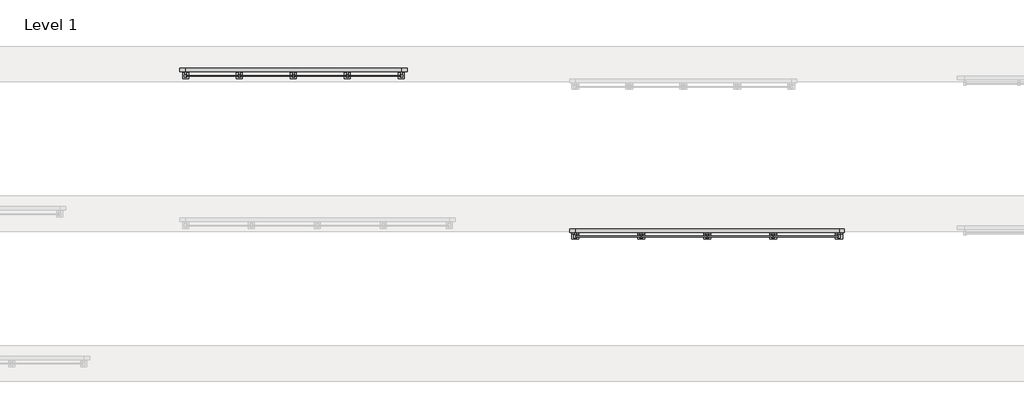
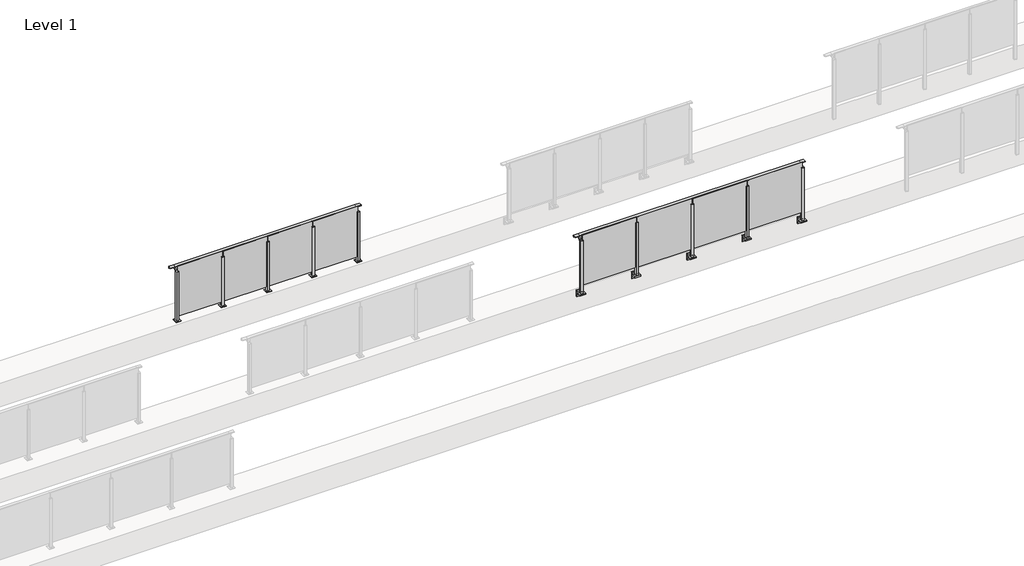
# One storey, part 63 of 64: 2 railings.
"""IFC4 building model written with IfcOpenShell, lengths in millimetres."""

from ifc_helpers import new_model, si_unit, point, frame, frame_2d, origin, origin_with_axes, place, context, project, spatial, polyline, circle_curve, trimmed, segment, composite_curve, outline, extrude, faceted_brep, element, save

model = new_model("IFC4")

# Units and contexts
model_context = context("Model", 3, world=origin())
ifc_project = project(units=[si_unit("LENGTHUNIT", "METRE", prefix="MILLI")], contexts=[model_context])

# Site, building, storey
site = spatial("IfcSite", under=ifc_project)
building = spatial("IfcBuilding", under=site)
storey = spatial("IfcBuildingStorey", under=building, Name="Level 1", Elevation=0.0)

# Railings
placement = place(None, origin())
element("IfcRailing", 1, at=placement, inside=storey, context=model_context, shape_type="SolidModel", body=[
    faceted_brep([(42910.0, 49943.1846828, 1100.0), (42910.0, 49943.1846828, 1085.0), (42910.0, 49928.1846828, 1085.0), (42910.0, 49928.1846828, 1073.0), (42910.0, 49923.1846828, 1073.0), (42910.0, 49923.1846828, 1085.0), (42910.0, 49883.1846828, 1085.0), (42910.0, 49883.1846828, 1100.0), (43000.0, 49943.1846828, 1100.0), (43000.0, 49943.1846828, 1085.0), (43000.0, 49923.1846828, 1085.0), (43000.0, 49883.1846828, 1085.0), (43000.0, 49883.1846828, 1100.0), (47400.0, 49943.1846828, 1100.0), (47400.0, 49943.1846828, 1085.0), (47400.0, 49923.1846828, 1085.0), (47400.0, 49883.1846828, 1085.0), (47400.0, 49883.1846828, 1100.0), (47490.0, 49943.1846828, 1100.0), (47490.0, 49883.1846828, 1100.0), (47490.0, 49883.1846828, 1085.0), (47490.0, 49923.1846828, 1085.0), (47490.0, 49923.1846828, 1073.0), (47490.0, 49928.1846828, 1073.0), (47490.0, 49928.1846828, 1085.0), (47490.0, 49943.1846828, 1085.0), (43000.0, 49928.1846828, 1085.0), (47400.0, 49928.1846828, 1085.0), (43000.0, 49928.1846828, 1073.0), (43000.0, 49923.1846828, 1073.0), (47400.0, 49928.1846828, 1073.0), (47400.0, 49923.1846828, 1073.0)], [[[0, 1, 2, 3, 4, 5, 6, 7]], [[1, 0, 8, 9]], [[6, 5, 10, 11]], [[7, 6, 11, 12]], [[0, 7, 12, 8]], [[9, 8, 13, 14]], [[11, 10, 15, 16]], [[12, 11, 16, 17]], [[8, 12, 17, 13]], [[18, 19, 20, 21, 22, 23, 24, 25]], [[14, 13, 18, 25]], [[16, 15, 21, 20]], [[17, 16, 20, 19]], [[13, 17, 19, 18]], [[2, 1, 9, 26]], [[26, 9, 14, 27]], [[27, 14, 25, 24]], [[3, 2, 26, 28]], [[4, 3, 28, 29]], [[5, 4, 29, 10]], [[28, 26, 27, 30]], [[29, 28, 30, 31]], [[10, 29, 31, 15]], [[30, 27, 24, 23]], [[31, 30, 23, 22]], [[15, 31, 22, 21]]]),
    extrude(outline(polyline([(46310.0, 49811.9094929), (46310.0, 49821.9094929), (47390.0, 49821.9094929), (47390.0, 49811.9094929), (46310.0, 49811.9094929)])), frame((0.0, 0.0, 95.0), z_axis=(0.0, 0.0, 1.0), x_axis=(1.0, 0.0, 0.0)), (0.0, 0.0, 1.0), 1055.0),
    extrude(outline(composite_curve([segment(polyline([(49938.1846828, 1085.0), (49938.1846828, 1060.900037)]), True, "CONTINUOUS"), segment(trimmed(circle_curve(frame_2d((49928.1846828, 1060.900037)), 10.0), [point((49938.1846828, 1060.900037))], [point((49930.7728733, 1051.2407787))], False, "CARTESIAN"), True, "CONTINUOUS"), segment(polyline([(49930.7728733, 1051.2407787), (49873.7244733, 1035.9547061)]), True, "CONTINUOUS"), segment(trimmed(circle_curve(frame_2d((49876.3126638, 1026.2954478)), 10.0), [point((49873.7244733, 1035.9547061))], [point((49866.3982152, 1027.6007097))], True, "CARTESIAN"), True, "CONTINUOUS"), segment(polyline([(49866.3982152, 1027.6007097), (49861.791393, 992.6084214)]), True, "CONTINUOUS"), segment(trimmed(circle_curve(frame_2d((49858.8170584, 993.0)), 3.0), [point((49861.791393, 992.6084214))], [point((49858.8170584, 990.0))], False, "CARTESIAN"), True, "CONTINUOUS"), segment(polyline([(49858.8170584, 990.0), (49850.1846828, 990.0), (49850.1846828, 1040.0), (49914.1846828, 1057.1487483), (49914.1846828, 1085.0), (49938.1846828, 1085.0)]), True, "CONTINUOUS")], self_intersect=False)), frame((46287.5, 0.0, 0.0), z_axis=(1.0, 0.0, 0.0), x_axis=(0.0, 1.0, 0.0)), (0.0, 0.0, 1.0), 25.0),
    extrude(outline(composite_curve([segment(polyline([(49850.1846828, -70.0), (49884.1846828, -63.0), (49884.1846828, -32.5), (49900.1846828, -32.5), (49900.1846828, -167.5), (49884.1846828, -167.5), (49884.1846828, -113.5)]), True, "CONTINUOUS"), segment(trimmed(circle_curve(frame_2d((49864.1846828, -113.5)), 20.0), [point((49884.1846828, -113.5))], [point((49864.1846828, -93.5))], True, "CARTESIAN"), True, "CONTINUOUS"), segment(polyline([(49864.1846828, -93.5), (49780.1846828, -93.5), (49780.1846828, -70.0), (49850.1846828, -70.0)]), True, "CONTINUOUS")], self_intersect=False)), frame((46240.0, 0.0, 0.0), z_axis=(1.0, 0.0, 0.0), x_axis=(0.0, 1.0, 0.0)), (0.0, 0.0, 1.0), 120.0),
    extrude(outline(polyline([(46322.5, 49840.1846828), (46322.5, 49795.1846828), (46277.5, 49795.1846828), (46277.5, 49840.1846828), (46322.5, 49840.1846828)])), frame((0.0, 0.0, -70.0), z_axis=(0.0, 0.0, 1.0), x_axis=(1.0, 0.0, 0.0)), (0.0, 0.0, 1.0), 1110.0),
    extrude(outline(polyline([(46322.5, 49840.1846828), (46322.5, 49795.1846828), (46277.5, 49795.1846828), (46277.5, 49840.1846828), (46322.5, 49840.1846828)])), frame((0.0, 0.0, 1040.0), z_axis=(0.0, 0.0, 1.0), x_axis=(1.0, 0.0, 0.0)), (0.0, 0.0, 1.0), 5.0),
    extrude(outline(polyline([(45210.0, 49811.9094929), (45210.0, 49821.9094929), (46290.0, 49821.9094929), (46290.0, 49811.9094929), (45210.0, 49811.9094929)])), frame((0.0, 0.0, 95.0), z_axis=(0.0, 0.0, 1.0), x_axis=(1.0, 0.0, 0.0)), (0.0, 0.0, 1.0), 1055.0),
    extrude(outline(composite_curve([segment(polyline([(49938.1846828, 1085.0), (49938.1846828, 1060.900037)]), True, "CONTINUOUS"), segment(trimmed(circle_curve(frame_2d((49928.1846828, 1060.900037)), 10.0), [point((49938.1846828, 1060.900037))], [point((49930.7728733, 1051.2407787))], False, "CARTESIAN"), True, "CONTINUOUS"), segment(polyline([(49930.7728733, 1051.2407787), (49873.7244733, 1035.9547061)]), True, "CONTINUOUS"), segment(trimmed(circle_curve(frame_2d((49876.3126638, 1026.2954478)), 10.0), [point((49873.7244733, 1035.9547061))], [point((49866.3982152, 1027.6007097))], True, "CARTESIAN"), True, "CONTINUOUS"), segment(polyline([(49866.3982152, 1027.6007097), (49861.791393, 992.6084214)]), True, "CONTINUOUS"), segment(trimmed(circle_curve(frame_2d((49858.8170584, 993.0)), 3.0), [point((49861.791393, 992.6084214))], [point((49858.8170584, 990.0))], False, "CARTESIAN"), True, "CONTINUOUS"), segment(polyline([(49858.8170584, 990.0), (49850.1846828, 990.0), (49850.1846828, 1040.0), (49914.1846828, 1057.1487483), (49914.1846828, 1085.0), (49938.1846828, 1085.0)]), True, "CONTINUOUS")], self_intersect=False)), frame((45187.5, 0.0, 0.0), z_axis=(1.0, 0.0, 0.0), x_axis=(0.0, 1.0, 0.0)), (0.0, 0.0, 1.0), 25.0),
    extrude(outline(composite_curve([segment(polyline([(49850.1846828, -70.0), (49884.1846828, -63.0), (49884.1846828, -32.5), (49900.1846828, -32.5), (49900.1846828, -167.5), (49884.1846828, -167.5), (49884.1846828, -113.5)]), True, "CONTINUOUS"), segment(trimmed(circle_curve(frame_2d((49864.1846828, -113.5)), 20.0), [point((49884.1846828, -113.5))], [point((49864.1846828, -93.5))], True, "CARTESIAN"), True, "CONTINUOUS"), segment(polyline([(49864.1846828, -93.5), (49780.1846828, -93.5), (49780.1846828, -70.0), (49850.1846828, -70.0)]), True, "CONTINUOUS")], self_intersect=False)), frame((45140.0, 0.0, 0.0), z_axis=(1.0, 0.0, 0.0), x_axis=(0.0, 1.0, 0.0)), (0.0, 0.0, 1.0), 120.0),
    extrude(outline(polyline([(45222.5, 49840.1846828), (45222.5, 49795.1846828), (45177.5, 49795.1846828), (45177.5, 49840.1846828), (45222.5, 49840.1846828)])), frame((0.0, 0.0, -70.0), z_axis=(0.0, 0.0, 1.0), x_axis=(1.0, 0.0, 0.0)), (0.0, 0.0, 1.0), 1110.0),
    extrude(outline(polyline([(45222.5, 49840.1846828), (45222.5, 49795.1846828), (45177.5, 49795.1846828), (45177.5, 49840.1846828), (45222.5, 49840.1846828)])), frame((0.0, 0.0, 1040.0), z_axis=(0.0, 0.0, 1.0), x_axis=(1.0, 0.0, 0.0)), (0.0, 0.0, 1.0), 5.0),
    extrude(outline(polyline([(44110.0, 49811.9094929), (44110.0, 49821.9094929), (45190.0, 49821.9094929), (45190.0, 49811.9094929), (44110.0, 49811.9094929)])), frame((0.0, 0.0, 95.0), z_axis=(0.0, 0.0, 1.0), x_axis=(1.0, 0.0, 0.0)), (0.0, 0.0, 1.0), 1055.0),
    extrude(outline(composite_curve([segment(polyline([(49938.1846828, 1085.0), (49938.1846828, 1060.900037)]), True, "CONTINUOUS"), segment(trimmed(circle_curve(frame_2d((49928.1846828, 1060.900037)), 10.0), [point((49938.1846828, 1060.900037))], [point((49930.7728733, 1051.2407787))], False, "CARTESIAN"), True, "CONTINUOUS"), segment(polyline([(49930.7728733, 1051.2407787), (49873.7244733, 1035.9547061)]), True, "CONTINUOUS"), segment(trimmed(circle_curve(frame_2d((49876.3126638, 1026.2954478)), 10.0), [point((49873.7244733, 1035.9547061))], [point((49866.3982152, 1027.6007097))], True, "CARTESIAN"), True, "CONTINUOUS"), segment(polyline([(49866.3982152, 1027.6007097), (49861.791393, 992.6084214)]), True, "CONTINUOUS"), segment(trimmed(circle_curve(frame_2d((49858.8170584, 993.0)), 3.0), [point((49861.791393, 992.6084214))], [point((49858.8170584, 990.0))], False, "CARTESIAN"), True, "CONTINUOUS"), segment(polyline([(49858.8170584, 990.0), (49850.1846828, 990.0), (49850.1846828, 1040.0), (49914.1846828, 1057.1487483), (49914.1846828, 1085.0), (49938.1846828, 1085.0)]), True, "CONTINUOUS")], self_intersect=False)), frame((44087.5, 0.0, 0.0), z_axis=(1.0, 0.0, 0.0), x_axis=(0.0, 1.0, 0.0)), (0.0, 0.0, 1.0), 25.0),
    extrude(outline(composite_curve([segment(polyline([(49850.1846828, -70.0), (49884.1846828, -63.0), (49884.1846828, -32.5), (49900.1846828, -32.5), (49900.1846828, -167.5), (49884.1846828, -167.5), (49884.1846828, -113.5)]), True, "CONTINUOUS"), segment(trimmed(circle_curve(frame_2d((49864.1846828, -113.5)), 20.0), [point((49884.1846828, -113.5))], [point((49864.1846828, -93.5))], True, "CARTESIAN"), True, "CONTINUOUS"), segment(polyline([(49864.1846828, -93.5), (49780.1846828, -93.5), (49780.1846828, -70.0), (49850.1846828, -70.0)]), True, "CONTINUOUS")], self_intersect=False)), frame((44040.0, 0.0, 0.0), z_axis=(1.0, 0.0, 0.0), x_axis=(0.0, 1.0, 0.0)), (0.0, 0.0, 1.0), 120.0),
    extrude(outline(polyline([(44122.5, 49840.1846828), (44122.5, 49795.1846828), (44077.5, 49795.1846828), (44077.5, 49840.1846828), (44122.5, 49840.1846828)])), frame((0.0, 0.0, -70.0), z_axis=(0.0, 0.0, 1.0), x_axis=(1.0, 0.0, 0.0)), (0.0, 0.0, 1.0), 1110.0),
    extrude(outline(polyline([(44122.5, 49840.1846828), (44122.5, 49795.1846828), (44077.5, 49795.1846828), (44077.5, 49840.1846828), (44122.5, 49840.1846828)])), frame((0.0, 0.0, 1040.0), z_axis=(0.0, 0.0, 1.0), x_axis=(1.0, 0.0, 0.0)), (0.0, 0.0, 1.0), 5.0),
    extrude(outline(polyline([(43010.0, 49811.9094929), (43010.0, 49821.9094929), (44090.0, 49821.9094929), (44090.0, 49811.9094929), (43010.0, 49811.9094929)])), frame((0.0, 0.0, 95.0), z_axis=(0.0, 0.0, 1.0), x_axis=(1.0, 0.0, 0.0)), (0.0, 0.0, 1.0), 1055.0),
    extrude(outline(composite_curve([segment(polyline([(49938.1846828, 1085.0), (49938.1846828, 1060.900037)]), True, "CONTINUOUS"), segment(trimmed(circle_curve(frame_2d((49928.1846828, 1060.900037)), 10.0), [point((49938.1846828, 1060.900037))], [point((49930.7728733, 1051.2407787))], False, "CARTESIAN"), True, "CONTINUOUS"), segment(polyline([(49930.7728733, 1051.2407787), (49873.7244733, 1035.9547061)]), True, "CONTINUOUS"), segment(trimmed(circle_curve(frame_2d((49876.3126638, 1026.2954478)), 10.0), [point((49873.7244733, 1035.9547061))], [point((49866.3982152, 1027.6007097))], True, "CARTESIAN"), True, "CONTINUOUS"), segment(polyline([(49866.3982152, 1027.6007097), (49861.791393, 992.6084214)]), True, "CONTINUOUS"), segment(trimmed(circle_curve(frame_2d((49858.8170584, 993.0)), 3.0), [point((49861.791393, 992.6084214))], [point((49858.8170584, 990.0))], False, "CARTESIAN"), True, "CONTINUOUS"), segment(polyline([(49858.8170584, 990.0), (49850.1846828, 990.0), (49850.1846828, 1040.0), (49914.1846828, 1057.1487483), (49914.1846828, 1085.0), (49938.1846828, 1085.0)]), True, "CONTINUOUS")], self_intersect=False)), frame((47387.5, 0.0, 0.0), z_axis=(1.0, 0.0, 0.0), x_axis=(0.0, 1.0, 0.0)), (0.0, 0.0, 1.0), 25.0),
    extrude(outline(composite_curve([segment(polyline([(49850.1846828, -70.0), (49884.1846828, -63.0), (49884.1846828, -32.5), (49900.1846828, -32.5), (49900.1846828, -167.5), (49884.1846828, -167.5), (49884.1846828, -113.5)]), True, "CONTINUOUS"), segment(trimmed(circle_curve(frame_2d((49864.1846828, -113.5)), 20.0), [point((49884.1846828, -113.5))], [point((49864.1846828, -93.5))], True, "CARTESIAN"), True, "CONTINUOUS"), segment(polyline([(49864.1846828, -93.5), (49780.1846828, -93.5), (49780.1846828, -70.0), (49850.1846828, -70.0)]), True, "CONTINUOUS")], self_intersect=False)), frame((47340.0, 0.0, 0.0), z_axis=(1.0, 0.0, 0.0), x_axis=(0.0, 1.0, 0.0)), (0.0, 0.0, 1.0), 120.0),
    extrude(outline(polyline([(47422.5, 49840.1846828), (47422.5, 49795.1846828), (47377.5, 49795.1846828), (47377.5, 49840.1846828), (47422.5, 49840.1846828)])), frame((0.0, 0.0, -70.0), z_axis=(0.0, 0.0, 1.0), x_axis=(1.0, 0.0, 0.0)), (0.0, 0.0, 1.0), 1110.0),
    extrude(outline(polyline([(47422.5, 49840.1846828), (47422.5, 49795.1846828), (47377.5, 49795.1846828), (47377.5, 49840.1846828), (47422.5, 49840.1846828)])), frame((0.0, 0.0, 1040.0), z_axis=(0.0, 0.0, 1.0), x_axis=(1.0, 0.0, 0.0)), (0.0, 0.0, 1.0), 5.0),
    extrude(outline(composite_curve([segment(polyline([(49938.1846828, 1085.0), (49938.1846828, 1060.900037)]), True, "CONTINUOUS"), segment(trimmed(circle_curve(frame_2d((49928.1846828, 1060.900037)), 10.0), [point((49938.1846828, 1060.900037))], [point((49930.7728733, 1051.2407787))], False, "CARTESIAN"), True, "CONTINUOUS"), segment(polyline([(49930.7728733, 1051.2407787), (49873.7244733, 1035.9547061)]), True, "CONTINUOUS"), segment(trimmed(circle_curve(frame_2d((49876.3126638, 1026.2954478)), 10.0), [point((49873.7244733, 1035.9547061))], [point((49866.3982152, 1027.6007097))], True, "CARTESIAN"), True, "CONTINUOUS"), segment(polyline([(49866.3982152, 1027.6007097), (49861.791393, 992.6084214)]), True, "CONTINUOUS"), segment(trimmed(circle_curve(frame_2d((49858.8170584, 993.0)), 3.0), [point((49861.791393, 992.6084214))], [point((49858.8170584, 990.0))], False, "CARTESIAN"), True, "CONTINUOUS"), segment(polyline([(49858.8170584, 990.0), (49850.1846828, 990.0), (49850.1846828, 1040.0), (49914.1846828, 1057.1487483), (49914.1846828, 1085.0), (49938.1846828, 1085.0)]), True, "CONTINUOUS")], self_intersect=False)), frame((42987.5, 0.0, 0.0), z_axis=(1.0, 0.0, 0.0), x_axis=(0.0, 1.0, 0.0)), (0.0, 0.0, 1.0), 25.0),
    extrude(outline(composite_curve([segment(polyline([(49850.1846828, -70.0), (49884.1846828, -63.0), (49884.1846828, -32.5), (49900.1846828, -32.5), (49900.1846828, -167.5), (49884.1846828, -167.5), (49884.1846828, -113.5)]), True, "CONTINUOUS"), segment(trimmed(circle_curve(frame_2d((49864.1846828, -113.5)), 20.0), [point((49884.1846828, -113.5))], [point((49864.1846828, -93.5))], True, "CARTESIAN"), True, "CONTINUOUS"), segment(polyline([(49864.1846828, -93.5), (49780.1846828, -93.5), (49780.1846828, -70.0), (49850.1846828, -70.0)]), True, "CONTINUOUS")], self_intersect=False)), frame((42940.0, 0.0, 0.0), z_axis=(1.0, 0.0, 0.0), x_axis=(0.0, 1.0, 0.0)), (0.0, 0.0, 1.0), 120.0),
    extrude(outline(polyline([(43022.5, 49840.1846828), (43022.5, 49795.1846828), (42977.5, 49795.1846828), (42977.5, 49840.1846828), (43022.5, 49840.1846828)])), frame((0.0, 0.0, -70.0), z_axis=(0.0, 0.0, 1.0), x_axis=(1.0, 0.0, 0.0)), (0.0, 0.0, 1.0), 1110.0),
    extrude(outline(polyline([(43022.5, 49840.1846828), (43022.5, 49795.1846828), (42977.5, 49795.1846828), (42977.5, 49840.1846828), (43022.5, 49840.1846828)])), frame((0.0, 0.0, 1040.0), z_axis=(0.0, 0.0, 1.0), x_axis=(1.0, 0.0, 0.0)), (0.0, 0.0, 1.0), 5.0),
])
element("IfcRailing", 2, at=placement, inside=storey, context=model_context, shape_type="SolidModel", body=[
    faceted_brep([(36500.0, 52625.6846828, 1085.0), (36500.0, 52625.6846828, 1100.0), (40100.0, 52625.6846828, 1100.0), (40100.0, 52625.6846828, 1085.0), (36500.0, 52565.6846828, 1085.0), (36500.0, 52605.6846828, 1085.0), (40100.0, 52605.6846828, 1085.0), (40100.0, 52565.6846828, 1085.0), (36500.0, 52565.6846828, 1100.0), (40100.0, 52565.6846828, 1100.0), (36400.0, 52625.6846828, 1100.0), (36400.0, 52625.6846828, 1085.0), (36400.0, 52610.6846828, 1085.0), (36400.0, 52610.6846828, 1073.0), (36400.0, 52605.6846828, 1073.0), (36400.0, 52605.6846828, 1085.0), (36400.0, 52565.6846828, 1085.0), (36400.0, 52565.6846828, 1100.0), (40200.0, 52625.6846828, 1100.0), (40200.0, 52565.6846828, 1100.0), (40200.0, 52565.6846828, 1085.0), (40200.0, 52605.6846828, 1085.0), (40200.0, 52605.6846828, 1073.0), (40200.0, 52610.6846828, 1073.0), (40200.0, 52610.6846828, 1085.0), (40200.0, 52625.6846828, 1085.0), (36500.0, 52610.6846828, 1085.0), (40100.0, 52610.6846828, 1085.0), (36500.0, 52610.6846828, 1073.0), (36500.0, 52605.6846828, 1073.0), (40100.0, 52610.6846828, 1073.0), (40100.0, 52605.6846828, 1073.0)], [[[0, 1, 2, 3]], [[4, 5, 6, 7]], [[8, 4, 7, 9]], [[1, 8, 9, 2]], [[10, 11, 12, 13, 14, 15, 16, 17]], [[11, 10, 1, 0]], [[16, 15, 5, 4]], [[17, 16, 4, 8]], [[10, 17, 8, 1]], [[18, 19, 20, 21, 22, 23, 24, 25]], [[3, 2, 18, 25]], [[7, 6, 21, 20]], [[9, 7, 20, 19]], [[2, 9, 19, 18]], [[12, 11, 0, 26]], [[26, 0, 3, 27]], [[27, 3, 25, 24]], [[13, 12, 26, 28]], [[14, 13, 28, 29]], [[15, 14, 29, 5]], [[28, 26, 27, 30]], [[29, 28, 30, 31]], [[5, 29, 31, 6]], [[30, 27, 24, 23]], [[31, 30, 23, 22]], [[6, 31, 22, 21]]]),
    extrude(outline(polyline([(39210.0, 52494.4094929), (39210.0, 52504.4094929), (40090.0, 52504.4094929), (40090.0, 52494.4094929), (39210.0, 52494.4094929)])), frame((0.0, 0.0, 95.0), z_axis=(0.0, 0.0, 1.0), x_axis=(1.0, 0.0, 0.0)), (0.0, 0.0, 1.0), 1055.0),
    extrude(outline(composite_curve([segment(polyline([(52610.6846828, 1085.0), (52610.6846828, 1060.900037)]), True, "CONTINUOUS"), segment(trimmed(circle_curve(frame_2d((52600.6846828, 1060.900037)), 10.0), [point((52610.6846828, 1060.900037))], [point((52603.2728733, 1051.2407787))], False, "CARTESIAN"), True, "CONTINUOUS"), segment(polyline([(52603.2728733, 1051.2407787), (52546.2244733, 1035.9547061)]), True, "CONTINUOUS"), segment(trimmed(circle_curve(frame_2d((52548.8126638, 1026.2954478)), 10.0), [point((52546.2244733, 1035.9547061))], [point((52538.8982152, 1027.6007097))], True, "CARTESIAN"), True, "CONTINUOUS"), segment(polyline([(52538.8982152, 1027.6007097), (52534.291393, 992.6084214)]), True, "CONTINUOUS"), segment(trimmed(circle_curve(frame_2d((52531.3170584, 993.0)), 3.0), [point((52534.291393, 992.6084214))], [point((52531.3170584, 990.0))], False, "CARTESIAN"), True, "CONTINUOUS"), segment(polyline([(52531.3170584, 990.0), (52522.6846828, 990.0), (52522.6846828, 1040.0), (52586.6846828, 1057.1487483), (52586.6846828, 1085.0), (52610.6846828, 1085.0)]), True, "CONTINUOUS")], self_intersect=False)), frame((39187.5, 0.0, 0.0), z_axis=(1.0, 0.0, 0.0), x_axis=(0.0, 1.0, 0.0)), (0.0, 0.0, 1.0), 25.0),
    extrude(outline(polyline([(39222.5, 52522.6846828), (39222.5, 52477.6846828), (39177.5, 52477.6846828), (39177.5, 52522.6846828), (39222.5, 52522.6846828)])), frame((0.0, 0.0, 1040.0), z_axis=(0.0, 0.0, 1.0), x_axis=(1.0, 0.0, 0.0)), (0.0, 0.0, 1.0), 5.0),
    extrude(outline(polyline([(39250.0, 52550.1846828), (39250.0, 52450.1846828), (39150.0, 52450.1846828), (39150.0, 52550.1846828), (39250.0, 52550.1846828)])), origin_with_axes(), (0.0, 0.0, 1.0), 12.0),
    extrude(outline(polyline([(39222.5, 52522.6846828), (39222.5, 52477.6846828), (39177.5, 52477.6846828), (39177.5, 52522.6846828), (39222.5, 52522.6846828)])), frame((0.0, 0.0, 12.0), z_axis=(0.0, 0.0, 1.0), x_axis=(1.0, 0.0, 0.0)), (0.0, 0.0, 1.0), 1028.0),
    extrude(outline(polyline([(38310.0, 52494.4094929), (38310.0, 52504.4094929), (39190.0, 52504.4094929), (39190.0, 52494.4094929), (38310.0, 52494.4094929)])), frame((0.0, 0.0, 95.0), z_axis=(0.0, 0.0, 1.0), x_axis=(1.0, 0.0, 0.0)), (0.0, 0.0, 1.0), 1055.0),
    extrude(outline(composite_curve([segment(polyline([(52610.6846828, 1085.0), (52610.6846828, 1060.900037)]), True, "CONTINUOUS"), segment(trimmed(circle_curve(frame_2d((52600.6846828, 1060.900037)), 10.0), [point((52610.6846828, 1060.900037))], [point((52603.2728733, 1051.2407787))], False, "CARTESIAN"), True, "CONTINUOUS"), segment(polyline([(52603.2728733, 1051.2407787), (52546.2244733, 1035.9547061)]), True, "CONTINUOUS"), segment(trimmed(circle_curve(frame_2d((52548.8126638, 1026.2954478)), 10.0), [point((52546.2244733, 1035.9547061))], [point((52538.8982152, 1027.6007097))], True, "CARTESIAN"), True, "CONTINUOUS"), segment(polyline([(52538.8982152, 1027.6007097), (52534.291393, 992.6084214)]), True, "CONTINUOUS"), segment(trimmed(circle_curve(frame_2d((52531.3170584, 993.0)), 3.0), [point((52534.291393, 992.6084214))], [point((52531.3170584, 990.0))], False, "CARTESIAN"), True, "CONTINUOUS"), segment(polyline([(52531.3170584, 990.0), (52522.6846828, 990.0), (52522.6846828, 1040.0), (52586.6846828, 1057.1487483), (52586.6846828, 1085.0), (52610.6846828, 1085.0)]), True, "CONTINUOUS")], self_intersect=False)), frame((38287.5, 0.0, 0.0), z_axis=(1.0, 0.0, 0.0), x_axis=(0.0, 1.0, 0.0)), (0.0, 0.0, 1.0), 25.0),
    extrude(outline(polyline([(38322.5, 52522.6846828), (38322.5, 52477.6846828), (38277.5, 52477.6846828), (38277.5, 52522.6846828), (38322.5, 52522.6846828)])), frame((0.0, 0.0, 1040.0), z_axis=(0.0, 0.0, 1.0), x_axis=(1.0, 0.0, 0.0)), (0.0, 0.0, 1.0), 5.0),
    extrude(outline(polyline([(38350.0, 52550.1846828), (38350.0, 52450.1846828), (38250.0, 52450.1846828), (38250.0, 52550.1846828), (38350.0, 52550.1846828)])), origin_with_axes(), (0.0, 0.0, 1.0), 12.0),
    extrude(outline(polyline([(38322.5, 52522.6846828), (38322.5, 52477.6846828), (38277.5, 52477.6846828), (38277.5, 52522.6846828), (38322.5, 52522.6846828)])), frame((0.0, 0.0, 12.0), z_axis=(0.0, 0.0, 1.0), x_axis=(1.0, 0.0, 0.0)), (0.0, 0.0, 1.0), 1028.0),
    extrude(outline(polyline([(37410.0, 52494.4094929), (37410.0, 52504.4094929), (38290.0, 52504.4094929), (38290.0, 52494.4094929), (37410.0, 52494.4094929)])), frame((0.0, 0.0, 95.0), z_axis=(0.0, 0.0, 1.0), x_axis=(1.0, 0.0, 0.0)), (0.0, 0.0, 1.0), 1055.0),
    extrude(outline(composite_curve([segment(polyline([(52610.6846828, 1085.0), (52610.6846828, 1060.900037)]), True, "CONTINUOUS"), segment(trimmed(circle_curve(frame_2d((52600.6846828, 1060.900037)), 10.0), [point((52610.6846828, 1060.900037))], [point((52603.2728733, 1051.2407787))], False, "CARTESIAN"), True, "CONTINUOUS"), segment(polyline([(52603.2728733, 1051.2407787), (52546.2244733, 1035.9547061)]), True, "CONTINUOUS"), segment(trimmed(circle_curve(frame_2d((52548.8126638, 1026.2954478)), 10.0), [point((52546.2244733, 1035.9547061))], [point((52538.8982152, 1027.6007097))], True, "CARTESIAN"), True, "CONTINUOUS"), segment(polyline([(52538.8982152, 1027.6007097), (52534.291393, 992.6084214)]), True, "CONTINUOUS"), segment(trimmed(circle_curve(frame_2d((52531.3170584, 993.0)), 3.0), [point((52534.291393, 992.6084214))], [point((52531.3170584, 990.0))], False, "CARTESIAN"), True, "CONTINUOUS"), segment(polyline([(52531.3170584, 990.0), (52522.6846828, 990.0), (52522.6846828, 1040.0), (52586.6846828, 1057.1487483), (52586.6846828, 1085.0), (52610.6846828, 1085.0)]), True, "CONTINUOUS")], self_intersect=False)), frame((37387.5, 0.0, 0.0), z_axis=(1.0, 0.0, 0.0), x_axis=(0.0, 1.0, 0.0)), (0.0, 0.0, 1.0), 25.0),
    extrude(outline(polyline([(37422.5, 52522.6846828), (37422.5, 52477.6846828), (37377.5, 52477.6846828), (37377.5, 52522.6846828), (37422.5, 52522.6846828)])), frame((0.0, 0.0, 1040.0), z_axis=(0.0, 0.0, 1.0), x_axis=(1.0, 0.0, 0.0)), (0.0, 0.0, 1.0), 5.0),
    extrude(outline(polyline([(37450.0, 52550.1846828), (37450.0, 52450.1846828), (37350.0, 52450.1846828), (37350.0, 52550.1846828), (37450.0, 52550.1846828)])), origin_with_axes(), (0.0, 0.0, 1.0), 12.0),
    extrude(outline(polyline([(37422.5, 52522.6846828), (37422.5, 52477.6846828), (37377.5, 52477.6846828), (37377.5, 52522.6846828), (37422.5, 52522.6846828)])), frame((0.0, 0.0, 12.0), z_axis=(0.0, 0.0, 1.0), x_axis=(1.0, 0.0, 0.0)), (0.0, 0.0, 1.0), 1028.0),
    extrude(outline(polyline([(36510.0, 52494.4094929), (36510.0, 52504.4094929), (37390.0, 52504.4094929), (37390.0, 52494.4094929), (36510.0, 52494.4094929)])), frame((0.0, 0.0, 95.0), z_axis=(0.0, 0.0, 1.0), x_axis=(1.0, 0.0, 0.0)), (0.0, 0.0, 1.0), 1055.0),
    extrude(outline(composite_curve([segment(polyline([(52610.6846828, 1085.0), (52610.6846828, 1060.900037)]), True, "CONTINUOUS"), segment(trimmed(circle_curve(frame_2d((52600.6846828, 1060.900037)), 10.0), [point((52610.6846828, 1060.900037))], [point((52603.2728733, 1051.2407787))], False, "CARTESIAN"), True, "CONTINUOUS"), segment(polyline([(52603.2728733, 1051.2407787), (52546.2244733, 1035.9547061)]), True, "CONTINUOUS"), segment(trimmed(circle_curve(frame_2d((52548.8126638, 1026.2954478)), 10.0), [point((52546.2244733, 1035.9547061))], [point((52538.8982152, 1027.6007097))], True, "CARTESIAN"), True, "CONTINUOUS"), segment(polyline([(52538.8982152, 1027.6007097), (52534.291393, 992.6084214)]), True, "CONTINUOUS"), segment(trimmed(circle_curve(frame_2d((52531.3170584, 993.0)), 3.0), [point((52534.291393, 992.6084214))], [point((52531.3170584, 990.0))], False, "CARTESIAN"), True, "CONTINUOUS"), segment(polyline([(52531.3170584, 990.0), (52522.6846828, 990.0), (52522.6846828, 1040.0), (52586.6846828, 1057.1487483), (52586.6846828, 1085.0), (52610.6846828, 1085.0)]), True, "CONTINUOUS")], self_intersect=False)), frame((40087.5, 0.0, 0.0), z_axis=(1.0, 0.0, 0.0), x_axis=(0.0, 1.0, 0.0)), (0.0, 0.0, 1.0), 25.0),
    extrude(outline(polyline([(40122.5, 52522.6846828), (40122.5, 52477.6846828), (40077.5, 52477.6846828), (40077.5, 52522.6846828), (40122.5, 52522.6846828)])), frame((0.0, 0.0, 1040.0), z_axis=(0.0, 0.0, 1.0), x_axis=(1.0, 0.0, 0.0)), (0.0, 0.0, 1.0), 5.0),
    extrude(outline(polyline([(40150.0, 52550.1846828), (40150.0, 52450.1846828), (40050.0, 52450.1846828), (40050.0, 52550.1846828), (40150.0, 52550.1846828)])), origin_with_axes(), (0.0, 0.0, 1.0), 12.0),
    extrude(outline(polyline([(40122.5, 52522.6846828), (40122.5, 52477.6846828), (40077.5, 52477.6846828), (40077.5, 52522.6846828), (40122.5, 52522.6846828)])), frame((0.0, 0.0, 12.0), z_axis=(0.0, 0.0, 1.0), x_axis=(1.0, 0.0, 0.0)), (0.0, 0.0, 1.0), 1028.0),
    extrude(outline(composite_curve([segment(polyline([(52610.6846828, 1085.0), (52610.6846828, 1060.900037)]), True, "CONTINUOUS"), segment(trimmed(circle_curve(frame_2d((52600.6846828, 1060.900037)), 10.0), [point((52610.6846828, 1060.900037))], [point((52603.2728733, 1051.2407787))], False, "CARTESIAN"), True, "CONTINUOUS"), segment(polyline([(52603.2728733, 1051.2407787), (52546.2244733, 1035.9547061)]), True, "CONTINUOUS"), segment(trimmed(circle_curve(frame_2d((52548.8126638, 1026.2954478)), 10.0), [point((52546.2244733, 1035.9547061))], [point((52538.8982152, 1027.6007097))], True, "CARTESIAN"), True, "CONTINUOUS"), segment(polyline([(52538.8982152, 1027.6007097), (52534.291393, 992.6084214)]), True, "CONTINUOUS"), segment(trimmed(circle_curve(frame_2d((52531.3170584, 993.0)), 3.0), [point((52534.291393, 992.6084214))], [point((52531.3170584, 990.0))], False, "CARTESIAN"), True, "CONTINUOUS"), segment(polyline([(52531.3170584, 990.0), (52522.6846828, 990.0), (52522.6846828, 1040.0), (52586.6846828, 1057.1487483), (52586.6846828, 1085.0), (52610.6846828, 1085.0)]), True, "CONTINUOUS")], self_intersect=False)), frame((36487.5, 0.0, 0.0), z_axis=(1.0, 0.0, 0.0), x_axis=(0.0, 1.0, 0.0)), (0.0, 0.0, 1.0), 25.0),
    extrude(outline(polyline([(36522.5, 52522.6846828), (36522.5, 52477.6846828), (36477.5, 52477.6846828), (36477.5, 52522.6846828), (36522.5, 52522.6846828)])), frame((0.0, 0.0, 1040.0), z_axis=(0.0, 0.0, 1.0), x_axis=(1.0, 0.0, 0.0)), (0.0, 0.0, 1.0), 5.0),
    extrude(outline(polyline([(36550.0, 52550.1846828), (36550.0, 52450.1846828), (36450.0, 52450.1846828), (36450.0, 52550.1846828), (36550.0, 52550.1846828)])), origin_with_axes(), (0.0, 0.0, 1.0), 12.0),
    extrude(outline(polyline([(36522.5, 52522.6846828), (36522.5, 52477.6846828), (36477.5, 52477.6846828), (36477.5, 52522.6846828), (36522.5, 52522.6846828)])), frame((0.0, 0.0, 12.0), z_axis=(0.0, 0.0, 1.0), x_axis=(1.0, 0.0, 0.0)), (0.0, 0.0, 1.0), 1028.0),
])

save(model, "model.ifc")
